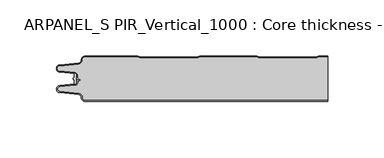
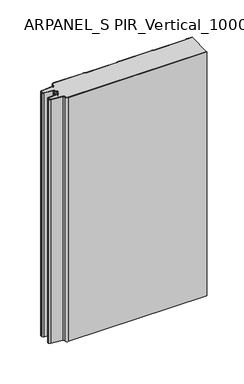
"""IFC4 building model written with IfcOpenShell, lengths in millimetres: plate geometry, ARPANEL_S PIR_Vertical_1000 : Core thickness - 40 mm."""

from ifc_helpers import new_model, si_unit, point, frame, frame_2d, origin, origin_with_axes, place, context, project, spatial, polyline, circle_curve, trimmed, segment, composite_curve, outline, extrude, source, transform, mapped, element, save
from ifc_brep_helpers import plane_surface, cylinder_surface, revolved_surface, advanced_brep


def arpanel_s_pir_vertical_1000_core_thickness_40_mm_59c83a22(model_context):
    return source(origin(), model_context, "Body", "SolidModel", [
        extrude(outline(composite_curve([segment(polyline([(-105.2854621, -19.4639745), (-104.0682893, -19.0209598), (-104.0682893, -15.20918)]), True, "CONTINUOUS"), segment(trimmed(circle_curve(frame_2d((-103.9194754, -17.302662)), 2.0987645), [point((-104.0682893, -15.20918))], [point((-102.4659308, -15.7887199))], False, "CARTESIAN"), True, "CONTINUOUS"), segment(polyline([(-102.4659308, -15.7887199), (-102.4659308, -24.2112801)]), True, "CONTINUOUS"), segment(trimmed(circle_curve(frame_2d((-103.9194754, -22.697338)), 2.0987645), [point((-102.4659308, -24.2112801))], [point((-104.0682893, -24.79082))], False, "CARTESIAN"), True, "CONTINUOUS"), segment(polyline([(-104.0682893, -24.79082), (-104.0682893, -20.9790402), (-105.2854621, -20.5360255), (-105.2854621, -19.4639745)]), True, "CONTINUOUS")], self_intersect=False)), origin_with_axes(), (0.0, 0.0, 1.0), 400.0),
        advanced_brep(
        [(-94.8000003, -39.9996949, 0.0), (-97.9923632, -36.5787437, 0.0), (-100.2560431, -33.9171154, 0.0), (-117.2115315, -32.2546153, 0.0), (-119.9999998, -29.1776715, 0.0), (-117.2115315, -26.1007278, 0.0), (-103.6195785, -24.7680252, 0.0), (-101.9952277, -22.9766159, 0.0), (-101.9952277, -21.8996949, 0.0), (-100.5952277, -20.4996949, 0.0), (-99.4952277, -20.4996949, 0.0), (-99.4952277, -21.2996949, 0.0), (-100.5952277, -21.2996949, 0.0), (-101.1952277, -21.8996949, 0.0), (-101.1952277, -22.9766159, 0.0), (-103.5415122, -25.5642071, 0.0), (-117.1334652, -26.8969097, 0.0), (-119.1999997, -29.1776715, 0.0), (-117.1334652, -31.4584333, 0.0), (-100.1779767, -33.1209335, 0.0), (-97.2078761, -36.6330399, 0.0), (-94.8000003, -39.1996949, 0.0), (119.9999998, -39.2, 0.0), (119.9999998, -39.9996949, 0.0), (-94.8000003, -39.1996949, 400.0), (-97.1942724, -36.6339815, 400.0), (-100.1779767, -33.1209335, 400.0), (-117.1334652, -31.4584333, 400.0), (-119.1999997, -29.1776715, 400.0), (-117.1334652, -26.8969097, 400.0), (-103.5415122, -25.5642071, 400.0), (-101.1952277, -22.9766159, 400.0), (-101.1952277, -21.8996949, 400.0), (-100.5952277, -21.2996949, 400.0), (-99.4952277, -21.2996949, 400.0), (-99.4952277, -20.4996949, 400.0), (-100.5952277, -20.4996949, 400.0), (-101.9952277, -21.8996949, 400.0), (-101.9952277, -22.9766159, 400.0), (-103.6195785, -24.7680252, 400.0), (-117.2115315, -26.1007278, 400.0), (-119.9999998, -29.1776715, 400.0), (-117.2115315, -32.2546153, 400.0), (-100.2560431, -33.9171154, 400.0), (-98.0059668, -36.5778021, 400.0), (-94.8000003, -39.9996949, 400.0), (119.9999998, -39.9996949, 400.0), (119.9999998, -39.2, 400.0)],
        [
            (0, 1, circle_curve(frame((-94.8000003, -36.7996949, 0.0), z_axis=(0.0, 0.0, -1.0), x_axis=(1.0, 0.0, 0.0)), 3.2)),
            (1, 2, circle_curve(frame((-100.5000003, -36.4051839, 0.0), z_axis=(0.0, 0.0, 1.0), x_axis=(1.0, 0.0, 0.0)), 2.5)),
            (2, 3),
            (3, 4, circle_curve(frame((-116.9100003, -29.1793626, 0.0), z_axis=(0.0, 0.0, -1.0), x_axis=(1.0, 0.0, 0.0)), 3.09)),
            (4, 5, circle_curve(frame((-116.9100003, -29.1759805, 0.0), z_axis=(0.0, 0.0, -1.0), x_axis=(1.0, 0.0, 0.0)), 3.09)),
            (5, 6),
            (6, 7, circle_curve(frame((-103.7952277, -22.9766159, 0.0), z_axis=(0.0, 0.0, 1.0), x_axis=(1.0, 0.0, 0.0)), 1.8)),
            (7, 8),
            (8, 9, circle_curve(frame((-100.5952277, -21.8996949, 0.0), z_axis=(0.0, 0.0, -1.0), x_axis=(1.0, 0.0, 0.0)), 1.4)),
            (9, 10),
            (10, 11),
            (11, 12),
            (12, 13, circle_curve(frame((-100.5952277, -21.8996949, 0.0), z_axis=(0.0, 0.0, 1.0), x_axis=(1.0, 0.0, 0.0)), 0.6)),
            (13, 14),
            (14, 15, circle_curve(frame((-103.7952277, -22.9766159, 0.0), z_axis=(0.0, 0.0, -1.0), x_axis=(1.0, 0.0, 0.0)), 2.6)),
            (15, 16),
            (16, 17, circle_curve(frame((-116.9100003, -29.1759805, 0.0), z_axis=(0.0, 0.0, 1.0), x_axis=(1.0, 0.0, 0.0)), 2.29)),
            (17, 18, circle_curve(frame((-116.9100003, -29.1793626, 0.0), z_axis=(0.0, 0.0, 1.0), x_axis=(1.0, 0.0, 0.0)), 2.29)),
            (18, 19),
            (19, 20, circle_curve(frame((-100.5000003, -36.4051839, 0.0), z_axis=(0.0, 0.0, -1.0), x_axis=(1.0, 0.0, 0.0)), 3.3)),
            (20, 21, circle_curve(frame((-94.8000003, -36.7996949, 0.0), z_axis=(0.0, 0.0, 1.0), x_axis=(1.0, 0.0, 0.0)), 2.4)),
            (21, 22),
            (22, 23),
            (23, 0),
            (24, 25, circle_curve(frame((-94.8000003, -36.7996949, 400.0), z_axis=(0.0, 0.0, -1.0), x_axis=(1.0, 0.0, 0.0)), 2.4)),
            (25, 26, circle_curve(frame((-100.5000003, -36.4051839, 400.0), z_axis=(0.0, 0.0, 1.0), x_axis=(1.0, 0.0, 0.0)), 3.3)),
            (26, 27),
            (27, 28, circle_curve(frame((-116.9100003, -29.1793626, 400.0), z_axis=(0.0, 0.0, -1.0), x_axis=(1.0, 0.0, 0.0)), 2.29)),
            (28, 29, circle_curve(frame((-116.9100003, -29.1759805, 400.0), z_axis=(0.0, 0.0, -1.0), x_axis=(1.0, 0.0, 0.0)), 2.29)),
            (29, 30),
            (30, 31, circle_curve(frame((-103.7952277, -22.9766159, 400.0), z_axis=(0.0, 0.0, 1.0), x_axis=(1.0, 0.0, 0.0)), 2.6)),
            (31, 32),
            (32, 33, circle_curve(frame((-100.5952277, -21.8996949, 400.0), z_axis=(0.0, 0.0, -1.0), x_axis=(1.0, 0.0, 0.0)), 0.6)),
            (33, 34),
            (34, 35),
            (35, 36),
            (36, 37, circle_curve(frame((-100.5952277, -21.8996949, 400.0), z_axis=(0.0, 0.0, 1.0), x_axis=(1.0, 0.0, 0.0)), 1.4)),
            (37, 38),
            (38, 39, circle_curve(frame((-103.7952277, -22.9766159, 400.0), z_axis=(0.0, 0.0, -1.0), x_axis=(1.0, 0.0, 0.0)), 1.8)),
            (39, 40),
            (40, 41, circle_curve(frame((-116.9100003, -29.1759805, 400.0), z_axis=(0.0, 0.0, 1.0), x_axis=(1.0, 0.0, 0.0)), 3.09)),
            (41, 42, circle_curve(frame((-116.9100003, -29.1793626, 400.0), z_axis=(0.0, 0.0, 1.0), x_axis=(1.0, 0.0, 0.0)), 3.09)),
            (42, 43),
            (43, 44, circle_curve(frame((-100.5000003, -36.4051839, 400.0), z_axis=(0.0, 0.0, -1.0), x_axis=(1.0, 0.0, 0.0)), 2.5)),
            (44, 45, circle_curve(frame((-94.8000003, -36.7996949, 400.0), z_axis=(0.0, 0.0, 1.0), x_axis=(1.0, 0.0, 0.0)), 3.2)),
            (45, 46),
            (46, 47),
            (47, 24),
            (21, 24),
            (47, 22),
            (20, 25),
            (19, 26),
            (18, 27),
            (17, 28),
            (16, 29),
            (15, 30),
            (14, 31),
            (13, 32),
            (12, 33),
            (11, 34),
            (10, 35),
            (9, 36),
            (8, 37),
            (7, 38),
            (6, 39),
            (5, 40),
            (4, 41),
            (3, 42),
            (2, 43),
            (1, 44),
            (0, 45),
            (23, 46),
        ],
        [
            plane_surface(frame((-119.9999998, -40.0, 0.0), z_axis=(0.0, 0.0, -1.0), x_axis=(0.0, 1.0, 0.0))),
            plane_surface(frame((-119.9999998, -40.0, 400.0), z_axis=(0.0, 0.0, 1.0), x_axis=(0.0, 1.0, 0.0))),
            plane_surface(frame((-94.8000003, -39.2, 0.0), z_axis=(0.0, 1.0, 0.0), x_axis=(0.0, 0.0, 1.0))),
            revolved_surface(polyline([(-92.40000029999999, -36.7996949, 400.0), (-92.40000029999999, -36.7996949, 0.0)]), (-94.8000003, -36.7996949, 0.0), (0.0, 0.0, 1.0)),
            cylinder_surface(frame((-100.5000003, -36.4051839, 0.0), z_axis=(0.0, 0.0, -1.0), x_axis=(1.0, 0.0, 0.0)), 3.3),
            plane_surface(frame((-117.1334652, -31.4584333, 0.0), z_axis=(0.09758289975914758, 0.9952273999818314, 0.0), x_axis=(0.0, 0.0, 1.0))),
            revolved_surface(polyline([(-114.62000029999999, -29.1793626, 400.0), (-114.62000029999999, -29.1793626, 0.0)]), (-116.9100003, -29.1793626, 0.0), (0.0, 0.0, 1.0)),
            revolved_surface(polyline([(-114.62000029999999, -29.1759805, 400.0), (-114.62000029999999, -29.1759805, 0.0)]), (-116.9100003, -29.1759805, 0.0), (0.0, 0.0, 1.0)),
            plane_surface(frame((-103.5415122, -25.5642071, 0.0), z_axis=(0.09758289975914383, -0.9952273999818317, 0.0), x_axis=(0.0, 0.0, 1.0))),
            cylinder_surface(frame((-103.7952277, -22.9766159, 0.0), z_axis=(0.0, 0.0, -1.0), x_axis=(1.0, 0.0, 0.0)), 2.6),
            plane_surface(frame((-101.1952277, -21.8996949, 0.0), z_axis=(1.0, 0.0, 0.0), x_axis=(0.0, 0.0, 1.0))),
            revolved_surface(polyline([(-99.9952277, -21.8996949, 400.0), (-99.9952277, -21.8996949, 0.0)]), (-100.5952277, -21.8996949, 0.0), (0.0, 0.0, 1.0)),
            plane_surface(frame((-99.4952277, -21.2996949, 0.0), z_axis=(0.0, -1.0, 0.0), x_axis=(0.0, 0.0, 1.0))),
            plane_surface(frame((-99.4952277, -20.4996949, 0.0), z_axis=(1.0, 0.0, 0.0), x_axis=(0.0, 0.0, 1.0))),
            plane_surface(frame((-100.5952277, -20.4996949, 0.0), z_axis=(0.0, 1.0, 0.0), x_axis=(0.0, 0.0, 1.0))),
            cylinder_surface(frame((-100.5952277, -21.8996949, 0.0), z_axis=(0.0, 0.0, -1.0), x_axis=(1.0, 0.0, 0.0)), 1.4),
            plane_surface(frame((-101.9952277, -22.9766159, 0.0), z_axis=(-1.0, 0.0, 0.0), x_axis=(0.0, 0.0, 1.0))),
            revolved_surface(polyline([(-101.9952277, -22.9766159, 400.0), (-101.9952277, -22.9766159, 0.0)]), (-103.7952277, -22.9766159, 0.0), (0.0, 0.0, 1.0)),
            plane_surface(frame((-117.2115315, -26.1007278, 0.0), z_axis=(-0.09758289975914387, 0.9952273999818317, 0.0), x_axis=(0.0, 0.0, 1.0))),
            cylinder_surface(frame((-116.9100003, -29.1759805, 0.0), z_axis=(0.0, 0.0, -1.0), x_axis=(1.0, 0.0, 0.0)), 3.09),
            cylinder_surface(frame((-116.9100003, -29.1793626, 0.0), z_axis=(0.0, 0.0, -1.0), x_axis=(1.0, 0.0, 0.0)), 3.09),
            plane_surface(frame((-100.2560431, -33.9171154, 0.0), z_axis=(-0.09758289975914762, -0.9952273999818314, 0.0), x_axis=(0.0, 0.0, 1.0))),
            revolved_surface(polyline([(-98.0000003, -36.4051839, 400.0), (-98.0000003, -36.4051839, 0.0)]), (-100.5000003, -36.4051839, 0.0), (0.0, 0.0, 1.0)),
            cylinder_surface(frame((-94.8000003, -36.7996949, 0.0), z_axis=(0.0, 0.0, -1.0), x_axis=(1.0, 0.0, 0.0)), 3.2),
            plane_surface(frame((896.009932, -39.9996949, 0.0), z_axis=(0.0, -1.0, 0.0), x_axis=(0.0, 0.0, 1.0))),
            plane_surface(frame((119.9999998, 180.0, 400.0), z_axis=(1.0, 0.0, 0.0), x_axis=(0.0, 0.0, -1.0))),
        ],
        [
            (0, [[1, 2, 3, 4, 5, 6, 7, 8, 9, 10, 11, 12, 13, 14, 15, 16, 17, 18, 19, 20, 21, 22, 23, 24]]),
            (1, [[25, 26, 27, 28, 29, 30, 31, 32, 33, 34, 35, 36, 37, 38, 39, 40, 41, 42, 43, 44, 45, 46, 47, 48]]),
            (2, [[49, -48, 50, -22]]),
            (3, [[-21, 51, -25, -49]]),
            (4, [[-20, 52, -26, -51]]),
            (5, [[-19, 53, -27, -52]]),
            (6, [[-18, 54, -28, -53]]),
            (7, [[-17, 55, -29, -54]]),
            (8, [[-16, 56, -30, -55]]),
            (9, [[-15, 57, -31, -56]]),
            (10, [[-14, 58, -32, -57]]),
            (11, [[-13, 59, -33, -58]]),
            (12, [[-12, 60, -34, -59]]),
            (13, [[-11, 61, -35, -60]]),
            (14, [[-10, 62, -36, -61]]),
            (15, [[-9, 63, -37, -62]]),
            (16, [[-8, 64, -38, -63]]),
            (17, [[-7, 65, -39, -64]]),
            (18, [[-6, 66, -40, -65]]),
            (19, [[-5, 67, -41, -66]]),
            (20, [[-4, 68, -42, -67]]),
            (21, [[-3, 69, -43, -68]]),
            (22, [[-2, 70, -44, -69]]),
            (23, [[-1, 71, -45, -70]]),
            (24, [[-71, -24, 72, -46]]),
            (25, [[-23, -50, -47, -72]]),
        ],
    ),
        advanced_brep(
        [(-101.9952277, -17.0233841, 400.0), (-102.4671027, -15.8084422, 400.0), (-102.4671027, -24.1915578, 400.0), (-101.9952277, -22.9766159, 400.0), (-101.9952277, -21.8996949, 400.0), (-100.5952277, -20.4996949, 400.0), (-99.4952277, -20.4996949, 400.0), (-99.4952277, -21.2996949, 400.0), (-100.5952277, -21.2996949, 400.0), (-101.1952277, -21.8996949, 400.0), (-101.1952277, -22.9766159, 400.0), (-103.5415122, -25.5642071, 400.0), (-117.1334652, -26.8969097, 400.0), (-119.1999997, -29.1776715, 400.0), (-117.1334652, -31.4584333, 400.0), (-100.1779767, -33.1209335, 400.0), (-97.2078761, -36.6330399, 400.0), (-94.8000003, -39.1996949, 400.0), (119.9999998, -39.2, 400.0), (119.9999998, -0.8, 400.0), (112.3119565, -0.8, 400.0), (111.2605406, -1.0986697, 400.0), (109.8401597, -1.5003051, 400.0), (59.6803765, -1.5003051, 400.0), (58.2609651, -1.0971009, 400.0), (57.2085797, -0.8, 400.0), (7.0487965, -0.8, 400.0), (5.9973806, -1.0986697, 400.0), (4.5769997, -1.5003051, 400.0), (-45.5827835, -1.5003051, 400.0), (-47.0021949, -1.0971009, 400.0), (-48.0545803, -0.8, 400.0), (-94.8000003, -0.8, 400.0), (-97.1942724, -3.3660185, 400.0), (-100.1779767, -6.8790665, 400.0), (-117.1334652, -8.5415667, 400.0), (-119.1999997, -10.8223285, 400.0), (-117.1334652, -13.1030903, 400.0), (-103.5415122, -14.4357929, 400.0), (-101.1952277, -17.0233841, 400.0), (-101.1952277, -18.1003051, 400.0), (-100.5952277, -18.7003051, 400.0), (-99.4952277, -18.7003051, 400.0), (-99.4952277, -19.5003051, 400.0), (-100.5952277, -19.5003051, 400.0), (-101.9952277, -18.1003051, 400.0), (-102.4671027, -15.8084422, 0.0), (-101.9952277, -17.0233841, 0.0), (-101.9952277, -18.1003051, 0.0), (-100.5952277, -19.5003051, 0.0), (-99.4952277, -19.5003051, 0.0), (-99.4952277, -18.7003051, 0.0), (-100.5952277, -18.7003051, 0.0), (-101.1952277, -18.1003051, 0.0), (-101.1952277, -17.0233841, 0.0), (-103.5415122, -14.4357929, 0.0), (-117.1334652, -13.1030903, 0.0), (-119.1999997, -10.8223285, 0.0), (-117.1334652, -8.5415667, 0.0), (-100.1779767, -6.8790665, 0.0), (-97.2078761, -3.3669601, 0.0), (-94.8000003, -0.8003051, 0.0), (-48.0545803, -0.8, 0.0), (-47.0031645, -1.0986697, 0.0), (-45.5827835, -1.5003051, 0.0), (4.5769997, -1.5003051, 0.0), (5.9964111, -1.0971009, 0.0), (7.0487965, -0.8, 0.0), (57.2085797, -0.8, 0.0), (58.2599955, -1.0986697, 0.0), (59.6803765, -1.5003051, 0.0), (109.8401597, -1.5003051, 0.0), (111.2595711, -1.0971009, 0.0), (112.3119565, -0.8, 0.0), (119.9999998, -0.8, 0.0), (119.9999998, -39.2, 0.0), (-94.8000003, -39.2, 0.0), (-97.1942724, -36.6339815, 0.0), (-100.1779767, -33.1209335, 0.0), (-117.1334652, -31.4584333, 0.0), (-119.1999997, -29.1776715, 0.0), (-117.1334652, -26.8969097, 0.0), (-103.5415122, -25.5642071, 0.0), (-101.1952277, -22.9766159, 0.0), (-101.1952277, -21.8996949, 0.0), (-100.5952277, -21.2996949, 0.0), (-99.4952277, -21.2996949, 0.0), (-99.4952277, -20.4996949, 0.0), (-100.5952277, -20.4996949, 0.0), (-101.9952277, -21.8996949, 0.0), (-101.9952277, -22.9766159, 0.0), (-102.4671027, -24.1915578, 0.0)],
        [
            (0, 1, circle_curve(frame((-103.7952277, -17.0233841, 400.0), z_axis=(0.0, 0.0, 1.0), x_axis=(1.0, 0.0, 0.0)), 1.8)),
            (1, 2),
            (2, 3, circle_curve(frame((-103.7952277, -22.9766159, 400.0), z_axis=(0.0, 0.0, 1.0), x_axis=(1.0, 0.0, 0.0)), 1.8)),
            (3, 4),
            (4, 5, circle_curve(frame((-100.5952277, -21.8996949, 400.0), z_axis=(0.0, 0.0, -1.0), x_axis=(1.0, 0.0, 0.0)), 1.4)),
            (5, 6),
            (6, 7),
            (7, 8),
            (8, 9, circle_curve(frame((-100.5952277, -21.8996949, 400.0), z_axis=(0.0, 0.0, 1.0), x_axis=(1.0, 0.0, 0.0)), 0.6)),
            (9, 10),
            (10, 11, circle_curve(frame((-103.7952277, -22.9766159, 400.0), z_axis=(0.0, 0.0, -1.0), x_axis=(1.0, 0.0, 0.0)), 2.6)),
            (11, 12),
            (12, 13, circle_curve(frame((-116.9100003, -29.1759805, 400.0), z_axis=(0.0, 0.0, 1.0), x_axis=(1.0, 0.0, 0.0)), 2.29)),
            (13, 14, circle_curve(frame((-116.9100003, -29.1793626, 400.0), z_axis=(0.0, 0.0, 1.0), x_axis=(1.0, 0.0, 0.0)), 2.29)),
            (14, 15),
            (15, 16, circle_curve(frame((-100.5000003, -36.4051839, 400.0), z_axis=(0.0, 0.0, -1.0), x_axis=(1.0, 0.0, 0.0)), 3.3)),
            (16, 17, circle_curve(frame((-94.8000003, -36.7996949, 400.0), z_axis=(0.0, 0.0, 1.0), x_axis=(1.0, 0.0, 0.0)), 2.4)),
            (17, 18),
            (18, 19),
            (19, 20),
            (20, 21, circle_curve(frame((112.3119565, -2.8, 400.0), z_axis=(0.0, 0.0, 1.0), x_axis=(1.0, 0.0, 0.0)), 2.0)),
            (21, 22, circle_curve(frame((109.8401597, 1.1996949, 400.0), z_axis=(0.0, 0.0, -1.0), x_axis=(1.0, 0.0, 0.0)), 2.7)),
            (22, 23),
            (23, 24, circle_curve(frame((59.6803765, 1.1996949, 400.0), z_axis=(0.0, 0.0, -1.0), x_axis=(1.0, 0.0, 0.0)), 2.7)),
            (24, 25, circle_curve(frame((57.2085797, -2.8, 400.0), z_axis=(0.0, 0.0, 1.0), x_axis=(1.0, 0.0, 0.0)), 2.0)),
            (25, 26),
            (26, 27, circle_curve(frame((7.0487965, -2.8, 400.0), z_axis=(0.0, 0.0, 1.0), x_axis=(1.0, 0.0, 0.0)), 2.0)),
            (27, 28, circle_curve(frame((4.5769997, 1.1996949, 400.0), z_axis=(0.0, 0.0, -1.0), x_axis=(1.0, 0.0, 0.0)), 2.7)),
            (28, 29),
            (29, 30, circle_curve(frame((-45.5827835, 1.1996949, 400.0), z_axis=(0.0, 0.0, -1.0), x_axis=(1.0, 0.0, 0.0)), 2.7)),
            (30, 31, circle_curve(frame((-48.0545803, -2.8, 400.0), z_axis=(0.0, 0.0, 1.0), x_axis=(1.0, 0.0, 0.0)), 2.0)),
            (31, 32),
            (32, 33, circle_curve(frame((-94.8000003, -3.2003051, 400.0), z_axis=(0.0, 0.0, 1.0), x_axis=(1.0, 0.0, 0.0)), 2.4)),
            (33, 34, circle_curve(frame((-100.5000003, -3.5948161, 400.0), z_axis=(0.0, 0.0, -1.0), x_axis=(1.0, 0.0, 0.0)), 3.3)),
            (34, 35),
            (35, 36, circle_curve(frame((-116.9100003, -10.8206374, 400.0), z_axis=(0.0, 0.0, 1.0), x_axis=(1.0, 0.0, 0.0)), 2.29)),
            (36, 37, circle_curve(frame((-116.9100003, -10.8240195, 400.0), z_axis=(0.0, 0.0, 1.0), x_axis=(1.0, 0.0, 0.0)), 2.29)),
            (37, 38),
            (38, 39, circle_curve(frame((-103.7952277, -17.0233841, 400.0), z_axis=(0.0, 0.0, -1.0), x_axis=(1.0, 0.0, 0.0)), 2.6)),
            (39, 40),
            (40, 41, circle_curve(frame((-100.5952277, -18.1003051, 400.0), z_axis=(0.0, 0.0, 1.0), x_axis=(1.0, 0.0, 0.0)), 0.6)),
            (41, 42),
            (42, 43),
            (43, 44),
            (44, 45, circle_curve(frame((-100.5952277, -18.1003051, 400.0), z_axis=(0.0, 0.0, -1.0), x_axis=(1.0, 0.0, 0.0)), 1.4)),
            (45, 0),
            (46, 47, circle_curve(frame((-103.7952277, -17.0233841, 0.0), z_axis=(0.0, 0.0, -1.0), x_axis=(1.0, 0.0, 0.0)), 1.8)),
            (47, 48),
            (48, 49, circle_curve(frame((-100.5952277, -18.1003051, 0.0), z_axis=(0.0, 0.0, 1.0), x_axis=(1.0, 0.0, 0.0)), 1.4)),
            (49, 50),
            (50, 51),
            (51, 52),
            (52, 53, circle_curve(frame((-100.5952277, -18.1003051, 0.0), z_axis=(0.0, 0.0, -1.0), x_axis=(1.0, 0.0, 0.0)), 0.6)),
            (53, 54),
            (54, 55, circle_curve(frame((-103.7952277, -17.0233841, 0.0), z_axis=(0.0, 0.0, 1.0), x_axis=(1.0, 0.0, 0.0)), 2.6)),
            (55, 56),
            (56, 57, circle_curve(frame((-116.9100003, -10.8240195, 0.0), z_axis=(0.0, 0.0, -1.0), x_axis=(1.0, 0.0, 0.0)), 2.29)),
            (57, 58, circle_curve(frame((-116.9100003, -10.8206374, 0.0), z_axis=(0.0, 0.0, -1.0), x_axis=(1.0, 0.0, 0.0)), 2.29)),
            (58, 59),
            (59, 60, circle_curve(frame((-100.5000003, -3.5948161, 0.0), z_axis=(0.0, 0.0, 1.0), x_axis=(1.0, 0.0, 0.0)), 3.3)),
            (60, 61, circle_curve(frame((-94.8000003, -3.2003051, 0.0), z_axis=(0.0, 0.0, -1.0), x_axis=(1.0, 0.0, 0.0)), 2.4)),
            (61, 62),
            (62, 63, circle_curve(frame((-48.0545803, -2.8, 0.0), z_axis=(0.0, 0.0, -1.0), x_axis=(1.0, 0.0, 0.0)), 2.0)),
            (63, 64, circle_curve(frame((-45.5827835, 1.1996949, 0.0), z_axis=(0.0, 0.0, 1.0), x_axis=(1.0, 0.0, 0.0)), 2.7)),
            (64, 65),
            (65, 66, circle_curve(frame((4.5769997, 1.1996949, 0.0), z_axis=(0.0, 0.0, 1.0), x_axis=(1.0, 0.0, 0.0)), 2.7)),
            (66, 67, circle_curve(frame((7.0487965, -2.8, 0.0), z_axis=(0.0, 0.0, -1.0), x_axis=(1.0, 0.0, 0.0)), 2.0)),
            (67, 68),
            (68, 69, circle_curve(frame((57.2085797, -2.8, 0.0), z_axis=(0.0, 0.0, -1.0), x_axis=(1.0, 0.0, 0.0)), 2.0)),
            (69, 70, circle_curve(frame((59.6803765, 1.1996949, 0.0), z_axis=(0.0, 0.0, 1.0), x_axis=(1.0, 0.0, 0.0)), 2.7)),
            (70, 71),
            (71, 72, circle_curve(frame((109.8401597, 1.1996949, 0.0), z_axis=(0.0, 0.0, 1.0), x_axis=(1.0, 0.0, 0.0)), 2.7)),
            (72, 73, circle_curve(frame((112.3119565, -2.8, 0.0), z_axis=(0.0, 0.0, -1.0), x_axis=(1.0, 0.0, 0.0)), 2.0)),
            (73, 74),
            (74, 75),
            (75, 76),
            (76, 77, circle_curve(frame((-94.8000003, -36.7996949, 0.0), z_axis=(0.0, 0.0, -1.0), x_axis=(1.0, 0.0, 0.0)), 2.4)),
            (77, 78, circle_curve(frame((-100.5000003, -36.4051839, 0.0), z_axis=(0.0, 0.0, 1.0), x_axis=(1.0, 0.0, 0.0)), 3.3)),
            (78, 79),
            (79, 80, circle_curve(frame((-116.9100003, -29.1793626, 0.0), z_axis=(0.0, 0.0, -1.0), x_axis=(1.0, 0.0, 0.0)), 2.29)),
            (80, 81, circle_curve(frame((-116.9100003, -29.1759805, 0.0), z_axis=(0.0, 0.0, -1.0), x_axis=(1.0, 0.0, 0.0)), 2.29)),
            (81, 82),
            (82, 83, circle_curve(frame((-103.7952277, -22.9766159, 0.0), z_axis=(0.0, 0.0, 1.0), x_axis=(1.0, 0.0, 0.0)), 2.6)),
            (83, 84),
            (84, 85, circle_curve(frame((-100.5952277, -21.8996949, 0.0), z_axis=(0.0, 0.0, -1.0), x_axis=(1.0, 0.0, 0.0)), 0.6)),
            (85, 86),
            (86, 87),
            (87, 88),
            (88, 89, circle_curve(frame((-100.5952277, -21.8996949, 0.0), z_axis=(0.0, 0.0, 1.0), x_axis=(1.0, 0.0, 0.0)), 1.4)),
            (89, 90),
            (90, 91, circle_curve(frame((-103.7952277, -22.9766159, 0.0), z_axis=(0.0, 0.0, -1.0), x_axis=(1.0, 0.0, 0.0)), 1.8)),
            (91, 46),
            (1, 46),
            (91, 2),
            (0, 47),
            (45, 48),
            (44, 49),
            (43, 50),
            (51, 42),
            (41, 52),
            (40, 53),
            (39, 54),
            (38, 55),
            (37, 56),
            (36, 57),
            (35, 58),
            (34, 59),
            (33, 60),
            (32, 61),
            (31, 62),
            (30, 63),
            (29, 64),
            (28, 65),
            (27, 66),
            (26, 67),
            (25, 68),
            (24, 69),
            (23, 70),
            (22, 71),
            (21, 72),
            (20, 73),
            (19, 74),
            (17, 76),
            (75, 18),
            (16, 77),
            (15, 78),
            (14, 79),
            (13, 80),
            (12, 81),
            (11, 82),
            (10, 83),
            (9, 84),
            (8, 85),
            (7, 86),
            (6, 87),
            (5, 88),
            (4, 89),
            (3, 90),
        ],
        [
            plane_surface(frame((-119.9999998, 0.0, 400.0), z_axis=(0.0, 0.0, 1.0), x_axis=(0.0, -1.0, 0.0))),
            plane_surface(frame((-119.9999998, 0.0, 0.0), z_axis=(0.0, 0.0, -1.0), x_axis=(0.0, -1.0, 0.0))),
            plane_surface(frame((-102.4671027, -14.998578, 400.0), z_axis=(-1.0, 0.0, 0.0), x_axis=(0.0, 0.0, -1.0))),
            cylinder_surface(frame((-103.7952277, -17.0233841, 530.0), z_axis=(0.0, 0.0, -1.0), x_axis=(1.0, 0.0, 0.0)), 1.8),
            plane_surface(frame((-101.9952277, -17.0233841, 530.0), z_axis=(1.0, 0.0, 0.0), x_axis=(0.0, 0.0, -1.0))),
            revolved_surface(polyline([(-99.19522769999999, -18.1003051, 400.0), (-99.19522769999999, -18.1003051, 0.0)]), (-100.5952277, -18.1003051, 530.0), (0.0, 0.0, 1.0)),
            plane_surface(frame((-100.5952277, -19.5003051, 530.0), z_axis=(0.0, 1.0, 0.0), x_axis=(0.0, 0.0, -1.0))),
            plane_surface(frame((-99.4952277, -18.7003051, 530.0), z_axis=(0.0, -1.0, 0.0), x_axis=(0.0, 0.0, -1.0))),
            cylinder_surface(frame((-100.5952277, -18.1003051, 530.0), z_axis=(0.0, 0.0, -1.0), x_axis=(1.0, 0.0, 0.0)), 0.6),
            plane_surface(frame((-101.1952277, -18.1003051, 530.0), z_axis=(-1.0, 0.0, 0.0), x_axis=(0.0, 0.0, -1.0))),
            revolved_surface(polyline([(-101.1952277, -17.0233841, 400.0), (-101.1952277, -17.0233841, 0.0)]), (-103.7952277, -17.0233841, 530.0), (0.0, 0.0, 1.0)),
            plane_surface(frame((-103.5415122, -14.4357929, 530.0), z_axis=(-0.09758289975914705, -0.9952273999818314, 0.0), x_axis=(0.0, 0.0, -1.0))),
            cylinder_surface(frame((-116.9100003, -10.8240195, 530.0), z_axis=(0.0, 0.0, -1.0), x_axis=(1.0, 0.0, 0.0)), 2.29),
            cylinder_surface(frame((-116.9100003, -10.8206374, 530.0), z_axis=(0.0, 0.0, -1.0), x_axis=(1.0, 0.0, 0.0)), 2.29),
            plane_surface(frame((-117.1334652, -8.5415667, 530.0), z_axis=(-0.09758289975914436, 0.9952273999818317, 0.0), x_axis=(0.0, 0.0, -1.0))),
            revolved_surface(polyline([(-97.2000003, -3.5948161, 400.0), (-97.2000003, -3.5948161, 0.0)]), (-100.5000003, -3.5948161, 530.0), (0.0, 0.0, 1.0)),
            cylinder_surface(frame((-94.8000003, -3.2003051, 530.0), z_axis=(0.0, 0.0, -1.0), x_axis=(1.0, 0.0, 0.0)), 2.4),
            plane_surface(frame((-94.8000003, -0.8, 530.0), z_axis=(0.0, 1.0, 0.0), x_axis=(0.0, 0.0, -1.0))),
            cylinder_surface(frame((-48.0545803, -2.8, 530.0), z_axis=(0.0, 0.0, -1.0), x_axis=(1.0, 0.0, 0.0)), 2.0),
            revolved_surface(polyline([(-42.882783499999995, 1.1996949, 400.0), (-42.882783499999995, 1.1996949, 0.0)]), (-45.5827835, 1.1996949, 530.0), (0.0, 0.0, 1.0)),
            plane_surface(frame((-45.5827835, -1.5003051, 530.0), z_axis=(0.0, 1.0, 0.0), x_axis=(0.0, 0.0, -1.0))),
            revolved_surface(polyline([(7.2769997, 1.1996949, 400.0), (7.2769997, 1.1996949, 0.0)]), (4.5769997, 1.1996949, 530.0), (0.0, 0.0, 1.0)),
            cylinder_surface(frame((7.0487965, -2.8, 530.0), z_axis=(0.0, 0.0, -1.0), x_axis=(1.0, 0.0, 0.0)), 2.0),
            plane_surface(frame((7.0487965, -0.8, 530.0), z_axis=(0.0, 1.0, 0.0), x_axis=(0.0, 0.0, -1.0))),
            cylinder_surface(frame((57.2085797, -2.8, 530.0), z_axis=(0.0, 0.0, -1.0), x_axis=(1.0, 0.0, 0.0)), 2.0),
            revolved_surface(polyline([(62.380376500000004, 1.1996949, 400.0), (62.380376500000004, 1.1996949, 0.0)]), (59.6803765, 1.1996949, 530.0), (0.0, 0.0, 1.0)),
            plane_surface(frame((59.6803765, -1.5003051, 530.0), z_axis=(0.0, 1.0, 0.0), x_axis=(0.0, 0.0, -1.0))),
            revolved_surface(polyline([(112.5401597, 1.1996949, 400.0), (112.5401597, 1.1996949, 0.0)]), (109.8401597, 1.1996949, 530.0), (0.0, 0.0, 1.0)),
            cylinder_surface(frame((112.3119565, -2.8, 530.0), z_axis=(0.0, 0.0, -1.0), x_axis=(1.0, 0.0, 0.0)), 2.0),
            plane_surface(frame((112.3119565, -0.8, 530.0), z_axis=(0.0, 1.0, 0.0), x_axis=(0.0, 0.0, -1.0))),
            plane_surface(frame((-99.4952277, -19.5003051, 530.0), z_axis=(-1.0, 0.0, 0.0), x_axis=(0.0, 0.0, -1.0))),
            plane_surface(frame((896.009932, -39.2, 530.0), z_axis=(0.0, -1.0, 0.0), x_axis=(0.0, 0.0, -1.0))),
            cylinder_surface(frame((-94.8000003, -36.7996949, 530.0), z_axis=(0.0, 0.0, -1.0), x_axis=(1.0, 0.0, 0.0)), 2.4),
            revolved_surface(polyline([(-97.2000003, -36.4051839, 400.0), (-97.2000003, -36.4051839, 0.0)]), (-100.5000003, -36.4051839, 530.0), (0.0, 0.0, 1.0)),
            plane_surface(frame((-100.1779767, -33.1209335, 530.0), z_axis=(-0.09758289975914758, -0.9952273999818314, 0.0), x_axis=(0.0, 0.0, -1.0))),
            cylinder_surface(frame((-116.9100003, -29.1793626, 530.0), z_axis=(0.0, 0.0, -1.0), x_axis=(1.0, 0.0, 0.0)), 2.29),
            cylinder_surface(frame((-116.9100003, -29.1759805, 530.0), z_axis=(0.0, 0.0, -1.0), x_axis=(1.0, 0.0, 0.0)), 2.29),
            plane_surface(frame((-117.1334652, -26.8969097, 530.0), z_axis=(-0.09758289975914383, 0.9952273999818317, 0.0), x_axis=(0.0, 0.0, -1.0))),
            revolved_surface(polyline([(-101.1952277, -22.9766159, 400.0), (-101.1952277, -22.9766159, 0.0)]), (-103.7952277, -22.9766159, 530.0), (0.0, 0.0, 1.0)),
            plane_surface(frame((-101.1952277, -22.9766159, 530.0), z_axis=(-1.0, 0.0, 0.0), x_axis=(0.0, 0.0, -1.0))),
            cylinder_surface(frame((-100.5952277, -21.8996949, 530.0), z_axis=(0.0, 0.0, -1.0), x_axis=(1.0, 0.0, 0.0)), 0.6),
            plane_surface(frame((-100.5952277, -21.2996949, 530.0), z_axis=(0.0, 1.0, 0.0), x_axis=(0.0, 0.0, -1.0))),
            plane_surface(frame((-99.4952277, -21.2996949, 530.0), z_axis=(-1.0, 0.0, 0.0), x_axis=(0.0, 0.0, -1.0))),
            plane_surface(frame((-99.4952277, -20.4996949, 530.0), z_axis=(0.0, -1.0, 0.0), x_axis=(0.0, 0.0, -1.0))),
            revolved_surface(polyline([(-99.19522769999999, -21.8996949, 400.0), (-99.19522769999999, -21.8996949, 0.0)]), (-100.5952277, -21.8996949, 530.0), (0.0, 0.0, 1.0)),
            plane_surface(frame((-101.9952277, -21.8996949, 530.0), z_axis=(1.0, 0.0, 0.0), x_axis=(0.0, 0.0, -1.0))),
            cylinder_surface(frame((-103.7952277, -22.9766159, 530.0), z_axis=(0.0, 0.0, -1.0), x_axis=(1.0, 0.0, 0.0)), 1.8),
            plane_surface(frame((119.9999998, 180.0, 400.0), z_axis=(1.0, 0.0, 0.0), x_axis=(0.0, 0.0, -1.0))),
        ],
        [
            (0, [[1, 2, 3, 4, 5, 6, 7, 8, 9, 10, 11, 12, 13, 14, 15, 16, 17, 18, 19, 20, 21, 22, 23, 24, 25, 26, 27, 28, 29, 30, 31, 32, 33, 34, 35, 36, 37, 38, 39, 40, 41, 42, 43, 44, 45, 46]]),
            (1, [[47, 48, 49, 50, 51, 52, 53, 54, 55, 56, 57, 58, 59, 60, 61, 62, 63, 64, 65, 66, 67, 68, 69, 70, 71, 72, 73, 74, 75, 76, 77, 78, 79, 80, 81, 82, 83, 84, 85, 86, 87, 88, 89, 90, 91, 92]]),
            (2, [[93, -92, 94, -2]]),
            (3, [[95, -47, -93, -1]]),
            (4, [[-95, -46, 96, -48]]),
            (5, [[-96, -45, 97, -49]]),
            (6, [[-97, -44, 98, -50]]),
            (7, [[99, -42, 100, -52]]),
            (8, [[-100, -41, 101, -53]]),
            (9, [[-101, -40, 102, -54]]),
            (10, [[-102, -39, 103, -55]]),
            (11, [[-103, -38, 104, -56]]),
            (12, [[-104, -37, 105, -57]]),
            (13, [[-105, -36, 106, -58]]),
            (14, [[-106, -35, 107, -59]]),
            (15, [[-107, -34, 108, -60]]),
            (16, [[-108, -33, 109, -61]]),
            (17, [[-109, -32, 110, -62]]),
            (18, [[-110, -31, 111, -63]]),
            (19, [[-111, -30, 112, -64]]),
            (20, [[-112, -29, 113, -65]]),
            (21, [[-113, -28, 114, -66]]),
            (22, [[-114, -27, 115, -67]]),
            (23, [[-115, -26, 116, -68]]),
            (24, [[-116, -25, 117, -69]]),
            (25, [[-117, -24, 118, -70]]),
            (26, [[-118, -23, 119, -71]]),
            (27, [[-119, -22, 120, -72]]),
            (28, [[-120, -21, 121, -73]]),
            (29, [[-121, -20, 122, -74]]),
            (30, [[-99, -51, -98, -43]]),
            (31, [[123, -76, 124, -18]]),
            (32, [[-123, -17, 125, -77]]),
            (33, [[-125, -16, 126, -78]]),
            (34, [[-126, -15, 127, -79]]),
            (35, [[-127, -14, 128, -80]]),
            (36, [[-128, -13, 129, -81]]),
            (37, [[-129, -12, 130, -82]]),
            (38, [[-130, -11, 131, -83]]),
            (39, [[-131, -10, 132, -84]]),
            (40, [[-132, -9, 133, -85]]),
            (41, [[-133, -8, 134, -86]]),
            (42, [[-134, -7, 135, -87]]),
            (43, [[-135, -6, 136, -88]]),
            (44, [[-136, -5, 137, -89]]),
            (45, [[-137, -4, 138, -90]]),
            (46, [[-138, -3, -94, -91]]),
            (47, [[-122, -19, -124, -75]]),
        ],
    ),
        advanced_brep(
        [(-47.0031645, -1.0986697, 0.0), (-48.0545803, -0.8, 0.0), (-94.8000003, -0.8, 0.0), (-97.1942724, -3.3660185, 0.0), (-100.1779767, -6.8790665, 0.0), (-117.1334652, -8.5415667, 0.0), (-119.1999997, -10.8223285, 0.0), (-117.1334652, -13.1030903, 0.0), (-103.5415122, -14.4357929, 0.0), (-101.1952277, -17.0233841, 0.0), (-101.1952277, -18.1003051, 0.0), (-100.5952277, -18.7003051, 0.0), (-99.4952277, -18.7003051, 0.0), (-99.4952277, -19.5003051, 0.0), (-100.5952277, -19.5003051, 0.0), (-101.9952277, -18.1003051, 0.0), (-101.9952277, -17.0233841, 0.0), (-103.6195785, -15.2319748, 0.0), (-117.2115315, -13.8992722, 0.0), (-119.9999998, -10.8223285, 0.0), (-117.2115315, -7.7453847, 0.0), (-100.2560431, -6.0828846, 0.0), (-98.0059668, -3.4221979, 0.0), (-94.8000003, -0.0003051, 0.0), (-48.0545803, -0.0003051, 0.0), (-46.6352472, -0.4034608, 0.0), (-45.5827835, -0.7003051, 0.0), (4.5769997, -0.7003051, 0.0), (5.6283575, -0.4016712, 0.0), (7.0487965, -0.0003051, 0.0), (57.2085797, -0.0003051, 0.0), (58.6279128, -0.4034608, 0.0), (59.6803765, -0.7003051, 0.0), (109.8401597, -0.7003051, 0.0), (110.8915175, -0.4016712, 0.0), (112.3119565, -0.0003051, 0.0), (119.9999998, -0.0003051, 0.0), (119.9999998, -0.8, 0.0), (112.3119565, -0.8, 0.0), (111.2605406, -1.0986697, 0.0), (109.8401597, -1.5003051, 0.0), (59.6803765, -1.5003051, 0.0), (58.2609651, -1.0971009, 0.0), (57.2085797, -0.8, 0.0), (7.0487965, -0.8, 0.0), (5.9973806, -1.0986697, 0.0), (4.5769997, -1.5003051, 0.0), (-45.5827835, -1.5003051, 0.0), (-47.0021949, -1.0971009, 400.0), (-45.5827835, -1.5003051, 400.0), (4.5769997, -1.5003051, 400.0), (5.9964111, -1.0971009, 400.0), (7.0487965, -0.8, 400.0), (57.2085797, -0.8, 400.0), (58.2599955, -1.0986697, 400.0), (59.6803765, -1.5003051, 400.0), (109.8401597, -1.5003051, 400.0), (111.2595711, -1.0971009, 400.0), (112.3119565, -0.8, 400.0), (119.9999998, -0.8, 400.0), (119.9999998, -0.0003051, 400.0), (112.3119565, -0.0003051, 400.0), (110.8926234, -0.4034608, 400.0), (109.8401597, -0.7003051, 400.0), (59.6803765, -0.7003051, 400.0), (58.6290186, -0.4016712, 400.0), (57.2085797, -0.0003051, 400.0), (7.0487965, -0.0003051, 400.0), (5.6294634, -0.4034608, 400.0), (4.5769997, -0.7003051, 400.0), (-45.5827835, -0.7003051, 400.0), (-46.6341414, -0.4016712, 400.0), (-48.0545803, -0.0003051, 400.0), (-94.8000003, -0.0003051, 400.0), (-97.9923632, -3.4212563, 400.0), (-100.2560431, -6.0828846, 400.0), (-117.2115315, -7.7453847, 400.0), (-119.9999998, -10.8223285, 400.0), (-117.2115315, -13.8992722, 400.0), (-103.6195785, -15.2319748, 400.0), (-101.9952277, -17.0233841, 400.0), (-101.9952277, -18.1003051, 400.0), (-100.5952277, -19.5003051, 400.0), (-99.4952277, -19.5003051, 400.0), (-99.4952277, -18.7003051, 400.0), (-100.5952277, -18.7003051, 400.0), (-101.1952277, -18.1003051, 400.0), (-101.1952277, -17.0233841, 400.0), (-103.5415122, -14.4357929, 400.0), (-117.1334652, -13.1030903, 400.0), (-119.1999997, -10.8223285, 400.0), (-117.1334652, -8.5415667, 400.0), (-100.1779767, -6.8790665, 400.0), (-97.2078761, -3.3669601, 400.0), (-94.8000003, -0.8003051, 400.0), (-48.0545803, -0.8, 400.0)],
        [
            (0, 1, circle_curve(frame((-48.0545803, -2.8, 0.0), z_axis=(0.0, 0.0, 1.0), x_axis=(1.0, 0.0, 0.0)), 2.0)),
            (1, 2),
            (2, 3, circle_curve(frame((-94.8000003, -3.2003051, 0.0), z_axis=(0.0, 0.0, 1.0), x_axis=(1.0, 0.0, 0.0)), 2.4)),
            (3, 4, circle_curve(frame((-100.5000003, -3.5948161, 0.0), z_axis=(0.0, 0.0, -1.0), x_axis=(1.0, 0.0, 0.0)), 3.3)),
            (4, 5),
            (5, 6, circle_curve(frame((-116.9100003, -10.8206374, 0.0), z_axis=(0.0, 0.0, 1.0), x_axis=(1.0, 0.0, 0.0)), 2.29)),
            (6, 7, circle_curve(frame((-116.9100003, -10.8240195, 0.0), z_axis=(0.0, 0.0, 1.0), x_axis=(1.0, 0.0, 0.0)), 2.29)),
            (7, 8),
            (8, 9, circle_curve(frame((-103.7952277, -17.0233841, 0.0), z_axis=(0.0, 0.0, -1.0), x_axis=(1.0, 0.0, 0.0)), 2.6)),
            (9, 10),
            (10, 11, circle_curve(frame((-100.5952277, -18.1003051, 0.0), z_axis=(0.0, 0.0, 1.0), x_axis=(1.0, 0.0, 0.0)), 0.6)),
            (11, 12),
            (12, 13),
            (13, 14),
            (14, 15, circle_curve(frame((-100.5952277, -18.1003051, 0.0), z_axis=(0.0, 0.0, -1.0), x_axis=(1.0, 0.0, 0.0)), 1.4)),
            (15, 16),
            (16, 17, circle_curve(frame((-103.7952277, -17.0233841, 0.0), z_axis=(0.0, 0.0, 1.0), x_axis=(1.0, 0.0, 0.0)), 1.8)),
            (17, 18),
            (18, 19, circle_curve(frame((-116.9100003, -10.8240195, 0.0), z_axis=(0.0, 0.0, -1.0), x_axis=(1.0, 0.0, 0.0)), 3.09)),
            (19, 20, circle_curve(frame((-116.9100003, -10.8206374, 0.0), z_axis=(0.0, 0.0, -1.0), x_axis=(1.0, 0.0, 0.0)), 3.09)),
            (20, 21),
            (21, 22, circle_curve(frame((-100.5000003, -3.5948161, 0.0), z_axis=(0.0, 0.0, 1.0), x_axis=(1.0, 0.0, 0.0)), 2.5)),
            (22, 23, circle_curve(frame((-94.8000003, -3.2003051, 0.0), z_axis=(0.0, 0.0, -1.0), x_axis=(1.0, 0.0, 0.0)), 3.2)),
            (23, 24),
            (24, 25, circle_curve(frame((-48.0545803, -2.7003051, 0.0), z_axis=(0.0, 0.0, -1.0), x_axis=(1.0, 0.0, 0.0)), 2.7)),
            (25, 26, circle_curve(frame((-45.5827835, 1.2996949, 0.0), z_axis=(0.0, 0.0, 1.0), x_axis=(1.0, 0.0, 0.0)), 2.0)),
            (26, 27),
            (27, 28, circle_curve(frame((4.5769997, 1.2996949, 0.0), z_axis=(0.0, 0.0, 1.0), x_axis=(1.0, 0.0, 0.0)), 2.0)),
            (28, 29, circle_curve(frame((7.0487965, -2.7003051, 0.0), z_axis=(0.0, 0.0, -1.0), x_axis=(1.0, 0.0, 0.0)), 2.7)),
            (29, 30),
            (30, 31, circle_curve(frame((57.2085797, -2.7003051, 0.0), z_axis=(0.0, 0.0, -1.0), x_axis=(1.0, 0.0, 0.0)), 2.7)),
            (31, 32, circle_curve(frame((59.6803765, 1.2996949, 0.0), z_axis=(0.0, 0.0, 1.0), x_axis=(1.0, 0.0, 0.0)), 2.0)),
            (32, 33),
            (33, 34, circle_curve(frame((109.8401597, 1.2996949, 0.0), z_axis=(0.0, 0.0, 1.0), x_axis=(1.0, 0.0, 0.0)), 2.0)),
            (34, 35, circle_curve(frame((112.3119565, -2.7003051, 0.0), z_axis=(0.0, 0.0, -1.0), x_axis=(1.0, 0.0, 0.0)), 2.7)),
            (35, 36),
            (36, 37),
            (37, 38),
            (38, 39, circle_curve(frame((112.3119565, -2.8, 0.0), z_axis=(0.0, 0.0, 1.0), x_axis=(1.0, 0.0, 0.0)), 2.0)),
            (39, 40, circle_curve(frame((109.8401597, 1.1996949, 0.0), z_axis=(0.0, 0.0, -1.0), x_axis=(1.0, 0.0, 0.0)), 2.7)),
            (40, 41),
            (41, 42, circle_curve(frame((59.6803765, 1.1996949, 0.0), z_axis=(0.0, 0.0, -1.0), x_axis=(1.0, 0.0, 0.0)), 2.7)),
            (42, 43, circle_curve(frame((57.2085797, -2.8, 0.0), z_axis=(0.0, 0.0, 1.0), x_axis=(1.0, 0.0, 0.0)), 2.0)),
            (43, 44),
            (44, 45, circle_curve(frame((7.0487965, -2.8, 0.0), z_axis=(0.0, 0.0, 1.0), x_axis=(1.0, 0.0, 0.0)), 2.0)),
            (45, 46, circle_curve(frame((4.5769997, 1.1996949, 0.0), z_axis=(0.0, 0.0, -1.0), x_axis=(1.0, 0.0, 0.0)), 2.7)),
            (46, 47),
            (47, 0, circle_curve(frame((-45.5827835, 1.1996949, 0.0), z_axis=(0.0, 0.0, -1.0), x_axis=(1.0, 0.0, 0.0)), 2.7)),
            (48, 49, circle_curve(frame((-45.5827835, 1.1996949, 400.0), z_axis=(0.0, 0.0, 1.0), x_axis=(1.0, 0.0, 0.0)), 2.7)),
            (49, 50),
            (50, 51, circle_curve(frame((4.5769997, 1.1996949, 400.0), z_axis=(0.0, 0.0, 1.0), x_axis=(1.0, 0.0, 0.0)), 2.7)),
            (51, 52, circle_curve(frame((7.0487965, -2.8, 400.0), z_axis=(0.0, 0.0, -1.0), x_axis=(1.0, 0.0, 0.0)), 2.0)),
            (52, 53),
            (53, 54, circle_curve(frame((57.2085797, -2.8, 400.0), z_axis=(0.0, 0.0, -1.0), x_axis=(1.0, 0.0, 0.0)), 2.0)),
            (54, 55, circle_curve(frame((59.6803765, 1.1996949, 400.0), z_axis=(0.0, 0.0, 1.0), x_axis=(1.0, 0.0, 0.0)), 2.7)),
            (55, 56),
            (56, 57, circle_curve(frame((109.8401597, 1.1996949, 400.0), z_axis=(0.0, 0.0, 1.0), x_axis=(1.0, 0.0, 0.0)), 2.7)),
            (57, 58, circle_curve(frame((112.3119565, -2.8, 400.0), z_axis=(0.0, 0.0, -1.0), x_axis=(1.0, 0.0, 0.0)), 2.0)),
            (58, 59),
            (59, 60),
            (60, 61),
            (61, 62, circle_curve(frame((112.3119565, -2.7003051, 400.0), z_axis=(0.0, 0.0, 1.0), x_axis=(1.0, 0.0, 0.0)), 2.7)),
            (62, 63, circle_curve(frame((109.8401597, 1.2996949, 400.0), z_axis=(0.0, 0.0, -1.0), x_axis=(1.0, 0.0, 0.0)), 2.0)),
            (63, 64),
            (64, 65, circle_curve(frame((59.6803765, 1.2996949, 400.0), z_axis=(0.0, 0.0, -1.0), x_axis=(1.0, 0.0, 0.0)), 2.0)),
            (65, 66, circle_curve(frame((57.2085797, -2.7003051, 400.0), z_axis=(0.0, 0.0, 1.0), x_axis=(1.0, 0.0, 0.0)), 2.7)),
            (66, 67),
            (67, 68, circle_curve(frame((7.0487965, -2.7003051, 400.0), z_axis=(0.0, 0.0, 1.0), x_axis=(1.0, 0.0, 0.0)), 2.7)),
            (68, 69, circle_curve(frame((4.5769997, 1.2996949, 400.0), z_axis=(0.0, 0.0, -1.0), x_axis=(1.0, 0.0, 0.0)), 2.0)),
            (69, 70),
            (70, 71, circle_curve(frame((-45.5827835, 1.2996949, 400.0), z_axis=(0.0, 0.0, -1.0), x_axis=(1.0, 0.0, 0.0)), 2.0)),
            (71, 72, circle_curve(frame((-48.0545803, -2.7003051, 400.0), z_axis=(0.0, 0.0, 1.0), x_axis=(1.0, 0.0, 0.0)), 2.7)),
            (72, 73),
            (73, 74, circle_curve(frame((-94.8000003, -3.2003051, 400.0), z_axis=(0.0, 0.0, 1.0), x_axis=(1.0, 0.0, 0.0)), 3.2)),
            (74, 75, circle_curve(frame((-100.5000003, -3.5948161, 400.0), z_axis=(0.0, 0.0, -1.0), x_axis=(1.0, 0.0, 0.0)), 2.5)),
            (75, 76),
            (76, 77, circle_curve(frame((-116.9100003, -10.8206374, 400.0), z_axis=(0.0, 0.0, 1.0), x_axis=(1.0, 0.0, 0.0)), 3.09)),
            (77, 78, circle_curve(frame((-116.9100003, -10.8240195, 400.0), z_axis=(0.0, 0.0, 1.0), x_axis=(1.0, 0.0, 0.0)), 3.09)),
            (78, 79),
            (79, 80, circle_curve(frame((-103.7952277, -17.0233841, 400.0), z_axis=(0.0, 0.0, -1.0), x_axis=(1.0, 0.0, 0.0)), 1.8)),
            (80, 81),
            (81, 82, circle_curve(frame((-100.5952277, -18.1003051, 400.0), z_axis=(0.0, 0.0, 1.0), x_axis=(1.0, 0.0, 0.0)), 1.4)),
            (82, 83),
            (83, 84),
            (84, 85),
            (85, 86, circle_curve(frame((-100.5952277, -18.1003051, 400.0), z_axis=(0.0, 0.0, -1.0), x_axis=(1.0, 0.0, 0.0)), 0.6)),
            (86, 87),
            (87, 88, circle_curve(frame((-103.7952277, -17.0233841, 400.0), z_axis=(0.0, 0.0, 1.0), x_axis=(1.0, 0.0, 0.0)), 2.6)),
            (88, 89),
            (89, 90, circle_curve(frame((-116.9100003, -10.8240195, 400.0), z_axis=(0.0, 0.0, -1.0), x_axis=(1.0, 0.0, 0.0)), 2.29)),
            (90, 91, circle_curve(frame((-116.9100003, -10.8206374, 400.0), z_axis=(0.0, 0.0, -1.0), x_axis=(1.0, 0.0, 0.0)), 2.29)),
            (91, 92),
            (92, 93, circle_curve(frame((-100.5000003, -3.5948161, 400.0), z_axis=(0.0, 0.0, 1.0), x_axis=(1.0, 0.0, 0.0)), 3.3)),
            (93, 94, circle_curve(frame((-94.8000003, -3.2003051, 400.0), z_axis=(0.0, 0.0, -1.0), x_axis=(1.0, 0.0, 0.0)), 2.4)),
            (94, 95),
            (95, 48, circle_curve(frame((-48.0545803, -2.8, 400.0), z_axis=(0.0, 0.0, -1.0), x_axis=(1.0, 0.0, 0.0)), 2.0)),
            (0, 48),
            (95, 1),
            (94, 2),
            (93, 3),
            (92, 4),
            (91, 5),
            (90, 6),
            (89, 7),
            (88, 8),
            (87, 9),
            (86, 10),
            (85, 11),
            (84, 12),
            (83, 13),
            (82, 14),
            (81, 15),
            (80, 16),
            (79, 17),
            (78, 18),
            (77, 19),
            (76, 20),
            (75, 21),
            (74, 22),
            (73, 23),
            (72, 24),
            (71, 25),
            (70, 26),
            (69, 27),
            (68, 28),
            (67, 29),
            (66, 30),
            (65, 31),
            (64, 32),
            (63, 33),
            (62, 34),
            (61, 35),
            (60, 36),
            (58, 38),
            (37, 59),
            (57, 39),
            (56, 40),
            (55, 41),
            (54, 42),
            (53, 43),
            (52, 44),
            (51, 45),
            (50, 46),
            (49, 47),
        ],
        [
            plane_surface(frame((-119.9999998, 0.0, 0.0), z_axis=(0.0, 0.0, -1.0), x_axis=(0.0, -1.0, 0.0))),
            plane_surface(frame((-119.9999998, 0.0, 400.0), z_axis=(0.0, 0.0, 1.0), x_axis=(0.0, -1.0, 0.0))),
            revolved_surface(polyline([(-46.0545803, -2.8, 400.0), (-46.0545803, -2.8, 0.0)]), (-48.0545803, -2.8, 0.0), (0.0, 0.0, 1.0)),
            plane_surface(frame((-48.0545803, -0.8, 0.0), z_axis=(0.0, -1.0, 0.0), x_axis=(0.0, 0.0, 1.0))),
            revolved_surface(polyline([(-92.40000029999999, -3.2003051, 400.0), (-92.40000029999999, -3.2003051, 0.0)]), (-94.8000003, -3.2003051, 0.0), (0.0, 0.0, 1.0)),
            cylinder_surface(frame((-100.5000003, -3.5948161, 0.0), z_axis=(0.0, 0.0, -1.0), x_axis=(1.0, 0.0, 0.0)), 3.3),
            plane_surface(frame((-100.1779767, -6.8790665, 0.0), z_axis=(0.09758289975914113, -0.9952273999818321, 0.0), x_axis=(0.0, 0.0, 1.0))),
            revolved_surface(polyline([(-114.62000029999999, -10.8206374, 400.0), (-114.62000029999999, -10.8206374, 0.0)]), (-116.9100003, -10.8206374, 0.0), (0.0, 0.0, 1.0)),
            revolved_surface(polyline([(-114.62000029999999, -10.8240195, 400.0), (-114.62000029999999, -10.8240195, 0.0)]), (-116.9100003, -10.8240195, 0.0), (0.0, 0.0, 1.0)),
            plane_surface(frame((-117.1334652, -13.1030903, 0.0), z_axis=(0.0975828997591503, 0.9952273999818312, 0.0), x_axis=(0.0, 0.0, 1.0))),
            cylinder_surface(frame((-103.7952277, -17.0233841, 0.0), z_axis=(0.0, 0.0, -1.0), x_axis=(1.0, 0.0, 0.0)), 2.6),
            plane_surface(frame((-101.1952277, -17.0233841, 0.0), z_axis=(1.0, 0.0, 0.0), x_axis=(0.0, 0.0, 1.0))),
            revolved_surface(polyline([(-99.9952277, -18.1003051, 400.0), (-99.9952277, -18.1003051, 0.0)]), (-100.5952277, -18.1003051, 0.0), (0.0, 0.0, 1.0)),
            plane_surface(frame((-100.5952277, -18.7003051, 0.0), z_axis=(0.0, 1.0, 0.0), x_axis=(0.0, 0.0, 1.0))),
            plane_surface(frame((-99.4952277, -18.7003051, 0.0), z_axis=(1.0, 0.0, 0.0), x_axis=(0.0, 0.0, 1.0))),
            plane_surface(frame((-99.4952277, -19.5003051, 0.0), z_axis=(0.0, -1.0, 0.0), x_axis=(0.0, 0.0, 1.0))),
            cylinder_surface(frame((-100.5952277, -18.1003051, 0.0), z_axis=(0.0, 0.0, -1.0), x_axis=(1.0, 0.0, 0.0)), 1.4),
            plane_surface(frame((-101.9952277, -18.1003051, 0.0), z_axis=(-1.0, 0.0, 0.0), x_axis=(0.0, 0.0, 1.0))),
            revolved_surface(polyline([(-101.9952277, -17.0233841, 400.0), (-101.9952277, -17.0233841, 0.0)]), (-103.7952277, -17.0233841, 0.0), (0.0, 0.0, 1.0)),
            plane_surface(frame((-103.6195785, -15.2319748, 0.0), z_axis=(-0.09758289975915034, -0.9952273999818312, 0.0), x_axis=(0.0, 0.0, 1.0))),
            cylinder_surface(frame((-116.9100003, -10.8240195, 0.0), z_axis=(0.0, 0.0, -1.0), x_axis=(1.0, 0.0, 0.0)), 3.09),
            cylinder_surface(frame((-116.9100003, -10.8206374, 0.0), z_axis=(0.0, 0.0, -1.0), x_axis=(1.0, 0.0, 0.0)), 3.09),
            plane_surface(frame((-117.2115315, -7.7453847, 0.0), z_axis=(-0.09758289975914117, 0.9952273999818321, 0.0), x_axis=(0.0, 0.0, 1.0))),
            revolved_surface(polyline([(-98.0000003, -3.5948161, 400.0), (-98.0000003, -3.5948161, 0.0)]), (-100.5000003, -3.5948161, 0.0), (0.0, 0.0, 1.0)),
            cylinder_surface(frame((-94.8000003, -3.2003051, 0.0), z_axis=(0.0, 0.0, -1.0), x_axis=(1.0, 0.0, 0.0)), 3.2),
            plane_surface(frame((-94.8000003, -0.0003051, 0.0), z_axis=(0.0, 1.0, 0.0), x_axis=(0.0, 0.0, 1.0))),
            cylinder_surface(frame((-48.0545803, -2.7003051, 0.0), z_axis=(0.0, 0.0, -1.0), x_axis=(1.0, 0.0, 0.0)), 2.7),
            revolved_surface(polyline([(-43.5827835, 1.2996949, 400.0), (-43.5827835, 1.2996949, 0.0)]), (-45.5827835, 1.2996949, 0.0), (0.0, 0.0, 1.0)),
            plane_surface(frame((-45.5827835, -0.7003051, 0.0), z_axis=(0.0, 1.0, 0.0), x_axis=(0.0, 0.0, 1.0))),
            revolved_surface(polyline([(6.5769997, 1.2996949, 400.0), (6.5769997, 1.2996949, 0.0)]), (4.5769997, 1.2996949, 0.0), (0.0, 0.0, 1.0)),
            cylinder_surface(frame((7.0487965, -2.7003051, 0.0), z_axis=(0.0, 0.0, -1.0), x_axis=(1.0, 0.0, 0.0)), 2.7),
            plane_surface(frame((7.0487965, -0.0003051, 0.0), z_axis=(0.0, 1.0, 0.0), x_axis=(0.0, 0.0, 1.0))),
            cylinder_surface(frame((57.2085797, -2.7003051, 0.0), z_axis=(0.0, 0.0, -1.0), x_axis=(1.0, 0.0, 0.0)), 2.7),
            revolved_surface(polyline([(61.6803765, 1.2996949, 400.0), (61.6803765, 1.2996949, 0.0)]), (59.6803765, 1.2996949, 0.0), (0.0, 0.0, 1.0)),
            plane_surface(frame((59.6803765, -0.7003051, 0.0), z_axis=(0.0, 1.0, 0.0), x_axis=(0.0, 0.0, 1.0))),
            revolved_surface(polyline([(111.8401597, 1.2996949, 400.0), (111.8401597, 1.2996949, 0.0)]), (109.8401597, 1.2996949, 0.0), (0.0, 0.0, 1.0)),
            cylinder_surface(frame((112.3119565, -2.7003051, 0.0), z_axis=(0.0, 0.0, -1.0), x_axis=(1.0, 0.0, 0.0)), 2.7),
            plane_surface(frame((112.3119565, -0.0003051, 0.0), z_axis=(0.0, 1.0, 0.0), x_axis=(0.0, 0.0, 1.0))),
            plane_surface(frame((162.4717397, -0.8, 0.0), z_axis=(0.0, -1.0, 0.0), x_axis=(0.0, 0.0, 1.0))),
            revolved_surface(polyline([(114.3119565, -2.8, 400.0), (114.3119565, -2.8, 0.0)]), (112.3119565, -2.8, 0.0), (0.0, 0.0, 1.0)),
            cylinder_surface(frame((109.8401597, 1.1996949, 0.0), z_axis=(0.0, 0.0, -1.0), x_axis=(1.0, 0.0, 0.0)), 2.7),
            plane_surface(frame((109.8401597, -1.5003051, 0.0), z_axis=(0.0, -1.0, 0.0), x_axis=(0.0, 0.0, 1.0))),
            cylinder_surface(frame((59.6803765, 1.1996949, 0.0), z_axis=(0.0, 0.0, -1.0), x_axis=(1.0, 0.0, 0.0)), 2.7),
            revolved_surface(polyline([(59.2085797, -2.8, 400.0), (59.2085797, -2.8, 0.0)]), (57.2085797, -2.8, 0.0), (0.0, 0.0, 1.0)),
            plane_surface(frame((57.2085797, -0.8, 0.0), z_axis=(0.0, -1.0, 0.0), x_axis=(0.0, 0.0, 1.0))),
            revolved_surface(polyline([(9.0487965, -2.8, 400.0), (9.0487965, -2.8, 0.0)]), (7.0487965, -2.8, 0.0), (0.0, 0.0, 1.0)),
            cylinder_surface(frame((4.5769997, 1.1996949, 0.0), z_axis=(0.0, 0.0, -1.0), x_axis=(1.0, 0.0, 0.0)), 2.7),
            plane_surface(frame((4.5769997, -1.5003051, 0.0), z_axis=(0.0, -1.0, 0.0), x_axis=(0.0, 0.0, 1.0))),
            cylinder_surface(frame((-45.5827835, 1.1996949, 0.0), z_axis=(0.0, 0.0, -1.0), x_axis=(1.0, 0.0, 0.0)), 2.7),
            plane_surface(frame((119.9999998, 180.0, 400.0), z_axis=(1.0, 0.0, 0.0), x_axis=(0.0, 0.0, -1.0))),
        ],
        [
            (0, [[1, 2, 3, 4, 5, 6, 7, 8, 9, 10, 11, 12, 13, 14, 15, 16, 17, 18, 19, 20, 21, 22, 23, 24, 25, 26, 27, 28, 29, 30, 31, 32, 33, 34, 35, 36, 37, 38, 39, 40, 41, 42, 43, 44, 45, 46, 47, 48]]),
            (1, [[49, 50, 51, 52, 53, 54, 55, 56, 57, 58, 59, 60, 61, 62, 63, 64, 65, 66, 67, 68, 69, 70, 71, 72, 73, 74, 75, 76, 77, 78, 79, 80, 81, 82, 83, 84, 85, 86, 87, 88, 89, 90, 91, 92, 93, 94, 95, 96]]),
            (2, [[-1, 97, -96, 98]]),
            (3, [[-2, -98, -95, 99]]),
            (4, [[-3, -99, -94, 100]]),
            (5, [[-4, -100, -93, 101]]),
            (6, [[-5, -101, -92, 102]]),
            (7, [[-6, -102, -91, 103]]),
            (8, [[-7, -103, -90, 104]]),
            (9, [[-8, -104, -89, 105]]),
            (10, [[-9, -105, -88, 106]]),
            (11, [[-10, -106, -87, 107]]),
            (12, [[-11, -107, -86, 108]]),
            (13, [[-12, -108, -85, 109]]),
            (14, [[-13, -109, -84, 110]]),
            (15, [[-14, -110, -83, 111]]),
            (16, [[-15, -111, -82, 112]]),
            (17, [[-16, -112, -81, 113]]),
            (18, [[-17, -113, -80, 114]]),
            (19, [[-18, -114, -79, 115]]),
            (20, [[-19, -115, -78, 116]]),
            (21, [[-20, -116, -77, 117]]),
            (22, [[-21, -117, -76, 118]]),
            (23, [[-22, -118, -75, 119]]),
            (24, [[-23, -119, -74, 120]]),
            (25, [[-24, -120, -73, 121]]),
            (26, [[-25, -121, -72, 122]]),
            (27, [[-26, -122, -71, 123]]),
            (28, [[-27, -123, -70, 124]]),
            (29, [[-28, -124, -69, 125]]),
            (30, [[-29, -125, -68, 126]]),
            (31, [[-30, -126, -67, 127]]),
            (32, [[-31, -127, -66, 128]]),
            (33, [[-32, -128, -65, 129]]),
            (34, [[-33, -129, -64, 130]]),
            (35, [[-34, -130, -63, 131]]),
            (36, [[-35, -131, -62, 132]]),
            (37, [[-132, -61, 133, -36]]),
            (38, [[134, -38, 135, -59]]),
            (39, [[-39, -134, -58, 136]]),
            (40, [[-40, -136, -57, 137]]),
            (41, [[-41, -137, -56, 138]]),
            (42, [[-42, -138, -55, 139]]),
            (43, [[-43, -139, -54, 140]]),
            (44, [[-44, -140, -53, 141]]),
            (45, [[-45, -141, -52, 142]]),
            (46, [[-46, -142, -51, 143]]),
            (47, [[-47, -143, -50, 144]]),
            (48, [[-48, -144, -49, -97]]),
            (49, [[-37, -133, -60, -135]]),
        ],
    ),
    ])


if __name__ == "__main__":
    model = new_model("IFC4")
    model_context = context("Model", 3, world=origin())
    ifc_project = project(units=[si_unit("LENGTHUNIT", "METRE", prefix="MILLI")], contexts=[model_context])
    site = spatial("IfcSite", under=ifc_project)
    building = spatial("IfcBuilding", under=site)
    placement = place(None, origin())
    arpanel_s_pir_vertical_1000_core_thickness_40_mm_shape = arpanel_s_pir_vertical_1000_core_thickness_40_mm_59c83a22(model_context)
    element("IfcPlate", 1, ObjectType="ARPANEL_S PIR_Vertical_1000 : Core thickness - 40 mm", at=placement, inside=building, context=model_context, shape_type="MappedRepresentation", body=[
        mapped(arpanel_s_pir_vertical_1000_core_thickness_40_mm_shape, transform((0.0, 0.0, 0.0), x_axis=(1.0, 0.0, 0.0), y_axis=(0.0, 1.0, 0.0), z_axis=(0.0, 0.0, 1.0))),
    ])
    save(model, "model.ifc")
